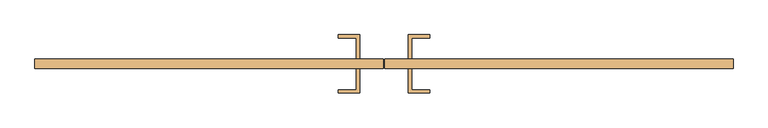
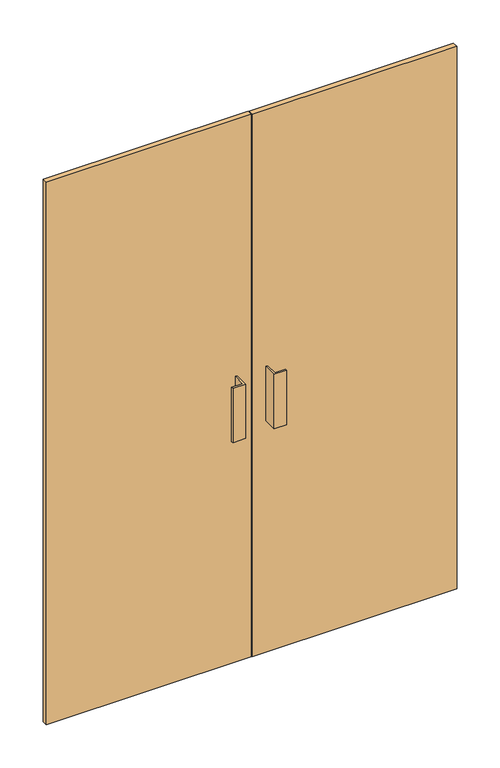
"""IFC4 building model written with IfcOpenShell, lengths in millimetres: door geometry."""

from ifc_helpers import new_model, si_unit, frame, origin, origin_with_axes, place, context, project, spatial, polyline, outline, extrude, source, transform, mapped, element, save


def door_0a8a7f3a(model_context):
    return source(origin(), model_context, "Body", "SweptSolid", [
        extrude(outline(polyline([(-1.5643999, -31.75), (-1.5643999, -50.8), (-725.0, -50.8), (-725.0, -31.75), (-1.5643999, -31.75)])), origin_with_axes(), (0.0, 0.0, 1.0), 2025.0),
        extrude(outline(polyline([(725.0, -31.75), (725.0, -50.8), (1.6106001, -50.8), (1.6106001, -31.75), (725.0, -31.75)])), origin_with_axes(), (0.0, 0.0, 1.0), 2025.0),
        extrude(outline(polyline([(-50.7768999, -101.6), (-95.2268999, -101.6), (-95.2268999, -95.25), (-57.1268999, -95.25), (-57.1268999, -50.8), (-50.7768999, -50.8), (-50.7768999, -101.6)])), frame((0.0, 0.0, 863.6), z_axis=(0.0, 0.0, 1.0), x_axis=(1.0, 0.0, 0.0)), (0.0, 0.0, 1.0), 203.2),
        extrude(outline(polyline([(50.8231001, -101.6), (50.8231001, -50.8), (57.1731001, -50.8), (57.1731001, -95.25), (95.2731001, -95.25), (95.2731001, -101.6), (50.8231001, -101.6)])), frame((0.0, 0.0, 863.6), z_axis=(0.0, 0.0, 1.0), x_axis=(1.0, 0.0, 0.0)), (0.0, 0.0, 1.0), 203.2),
        extrude(outline(polyline([(-50.7768999, 19.05), (-50.7768999, -31.75), (-57.1268999, -31.75), (-57.1268999, 12.7), (-95.2268999, 12.7), (-95.2268999, 19.05), (-50.7768999, 19.05)])), frame((0.0, 0.0, 863.6), z_axis=(0.0, 0.0, 1.0), x_axis=(1.0, 0.0, 0.0)), (0.0, 0.0, 1.0), 203.2),
        extrude(outline(polyline([(50.8231001, 19.05), (95.2731001, 19.05), (95.2731001, 12.7), (57.1731001, 12.7), (57.1731001, -31.75), (50.8231001, -31.75), (50.8231001, 19.05)])), frame((0.0, 0.0, 863.6), z_axis=(0.0, 0.0, 1.0), x_axis=(1.0, 0.0, 0.0)), (0.0, 0.0, 1.0), 203.2),
    ])


if __name__ == "__main__":
    model = new_model("IFC4")
    model_context = context("Model", 3, world=origin())
    ifc_project = project(units=[si_unit("LENGTHUNIT", "METRE", prefix="MILLI")], contexts=[model_context])
    site = spatial("IfcSite", under=ifc_project)
    building = spatial("IfcBuilding", under=site)
    placement = place(None, origin())
    door_shape = door_0a8a7f3a(model_context)
    element("IfcDoor", 1, at=placement, inside=building, context=model_context, shape_type="MappedRepresentation", body=[
        mapped(door_shape, transform((0.0, 0.0, 0.0), x_axis=(1.0, 0.0, 0.0), y_axis=(0.0, 1.0, 0.0), z_axis=(0.0, 0.0, 1.0))),
    ])
    save(model, "model.ifc")
